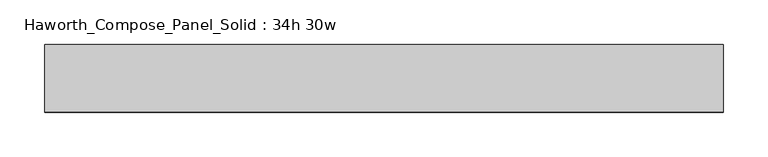
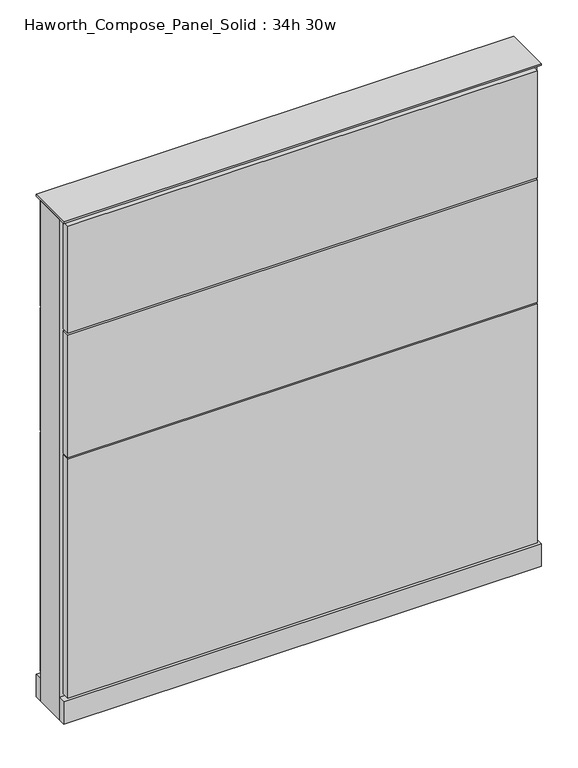
"""IFC4 building model written with IfcOpenShell, lengths in millimetres: furniture geometry, Haworth_Compose_Panel_Solid : 34h 30w."""

from ifc_helpers import new_model, si_unit, point, frame, frame_2d, origin, origin_with_axes, place, context, project, spatial, polyline, circle_curve, trimmed, segment, composite_curve, outline, extrude, source, transform, mapped, element, save


def haworth_compose_panel_solid_34h_30w_29ea3ebe(model_context):
    return source(origin(), model_context, "Body", "SweptSolid", [
        extrude(outline(composite_curve([segment(trimmed(circle_curve(frame_2d((-302.3597098, 0.0)), 12.7), [point((-315.0597098, 0.0))], [point((-289.6597098, 0.0))], False, "CARTESIAN"), True, "CONTINUOUS"), segment(trimmed(circle_curve(frame_2d((-302.3597098, 0.0)), 12.7), [point((-289.6597098, 0.0))], [point((-315.0597098, 0.0))], False, "CARTESIAN"), True, "CONTINUOUS")], self_intersect=False)), origin_with_axes(), (0.0, 0.0, 1.0), 12.7),
        extrude(outline(composite_curve([segment(trimmed(circle_curve(frame_2d((307.2402902, 0.0)), 12.7), [point((294.5402902, 0.0))], [point((319.9402902, 0.0))], False, "CARTESIAN"), True, "CONTINUOUS"), segment(trimmed(circle_curve(frame_2d((307.2402902, 0.0)), 12.7), [point((319.9402902, 0.0))], [point((294.5402902, 0.0))], False, "CARTESIAN"), True, "CONTINUOUS")], self_intersect=False)), origin_with_axes(), (0.0, 0.0, 1.0), 12.7),
        extrude(outline(polyline([(377.0902902, 38.1), (377.0902902, 25.4), (-372.2097098, 25.4), (-372.2097098, 38.1), (377.0902902, 38.1)])), frame((0.0, 0.0, 669.925), z_axis=(0.0, 0.0, 1.0), x_axis=(1.0, 0.0, 0.0)), (0.0, 0.0, 1.0), 180.975),
        extrude(outline(polyline([(377.0902902, 38.1), (377.0902902, 25.4), (-372.2097098, 25.4), (-372.2097098, 38.1), (377.0902902, 38.1)])), frame((0.0, 0.0, 460.375), z_axis=(0.0, 0.0, 1.0), x_axis=(1.0, 0.0, 0.0)), (0.0, 0.0, 1.0), 206.375),
        extrude(outline(polyline([(377.0902902, 38.1), (377.0902902, 25.4), (-372.2097098, 25.4), (-372.2097098, 38.1), (377.0902902, 38.1)])), frame((0.0, 0.0, 53.975), z_axis=(0.0, 0.0, 1.0), x_axis=(1.0, 0.0, 0.0)), (0.0, 0.0, 1.0), 403.225),
        extrude(outline(polyline([(377.0902902, -38.1), (-372.2097098, -38.1), (-372.2097098, -25.4), (377.0902902, -25.4), (377.0902902, -38.1)])), frame((0.0, 0.0, 669.925), z_axis=(0.0, 0.0, 1.0), x_axis=(1.0, 0.0, 0.0)), (0.0, 0.0, 1.0), 180.975),
        extrude(outline(polyline([(377.0902902, -38.1), (-372.2097098, -38.1), (-372.2097098, -25.4), (377.0902902, -25.4), (377.0902902, -38.1)])), frame((0.0, 0.0, 460.375), z_axis=(0.0, 0.0, 1.0), x_axis=(1.0, 0.0, 0.0)), (0.0, 0.0, 1.0), 206.375),
        extrude(outline(polyline([(377.0902902, -38.1), (-372.2097098, -38.1), (-372.2097098, -25.4), (377.0902902, -25.4), (377.0902902, -38.1)])), frame((0.0, 0.0, 53.975), z_axis=(0.0, 0.0, 1.0), x_axis=(1.0, 0.0, 0.0)), (0.0, 0.0, 1.0), 403.225),
        extrude(outline(polyline([(383.4402902, 25.4), (383.4402902, -25.4), (-378.5597098, -25.4), (-378.5597098, 25.4), (383.4402902, 25.4)])), frame((0.0, 0.0, 12.7), z_axis=(0.0, 0.0, 1.0), x_axis=(1.0, 0.0, 0.0)), (0.0, 0.0, 1.0), 844.55),
        extrude(outline(polyline([(-378.5597098, -38.1), (-378.5597098, 38.1), (383.4402902, 38.1), (383.4402902, -38.1), (-378.5597098, -38.1)])), frame((0.0, 0.0, 12.7), z_axis=(0.0, 0.0, 1.0), x_axis=(1.0, 0.0, 0.0)), (0.0, 0.0, 1.0), 38.1),
        extrude(outline(polyline([(-378.5597098, -38.1), (-378.5597098, 38.1), (383.4402902, 38.1), (383.4402902, -38.1), (-378.5597098, -38.1)])), frame((0.0, 0.0, 857.25), z_axis=(0.0, 0.0, 1.0), x_axis=(1.0, 0.0, 0.0)), (0.0, 0.0, 1.0), 3.175),
    ])


if __name__ == "__main__":
    model = new_model("IFC4")
    model_context = context("Model", 3, world=origin())
    ifc_project = project(units=[si_unit("LENGTHUNIT", "METRE", prefix="MILLI")], contexts=[model_context])
    site = spatial("IfcSite", under=ifc_project)
    building = spatial("IfcBuilding", under=site)
    placement = place(None, origin())
    haworth_compose_panel_solid_34h_30w_shape = haworth_compose_panel_solid_34h_30w_29ea3ebe(model_context)
    element("IfcFurniture", 1, ObjectType="Haworth_Compose_Panel_Solid : 34h 30w", at=placement, inside=building, context=model_context, shape_type="MappedRepresentation", body=[
        mapped(haworth_compose_panel_solid_34h_30w_shape, transform((0.0, 0.0, 0.0), x_axis=(1.0, 0.0, 0.0), y_axis=(0.0, 1.0, 0.0), z_axis=(0.0, 0.0, 1.0))),
    ])
    save(model, "model.ifc")
